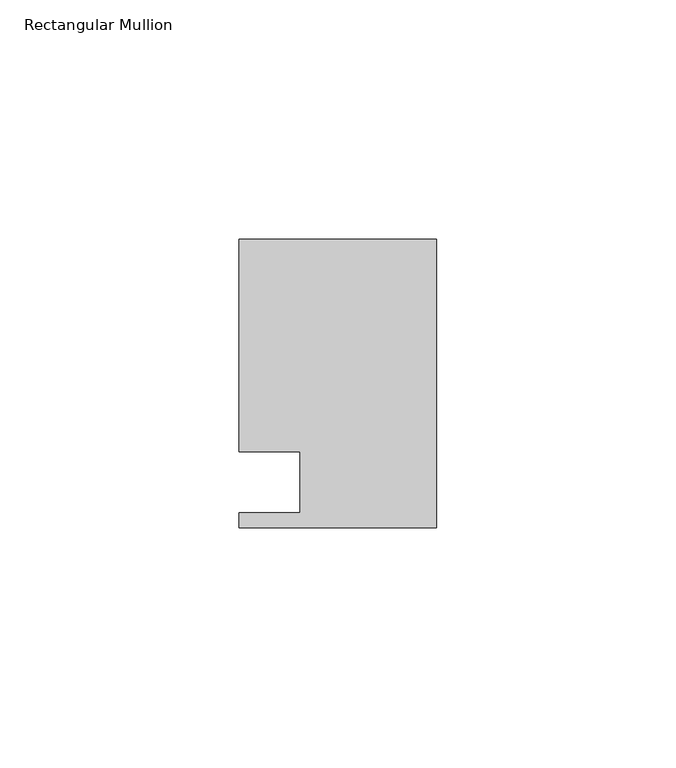
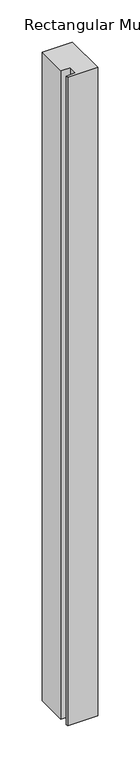
"""IFC4 building model written with IfcOpenShell, lengths in millimetres: member geometry, Rectangular Mullion."""

from ifc_helpers import new_model, si_unit, frame, origin, place, context, project, spatial, polyline, outline, extrude, source, transform, mapped, element, save


def rectangular_mullion_19c846c7(model_context):
    return source(origin(), model_context, "Body", "SweptSolid", [
        extrude(outline(polyline([(0.0, 30.1625), (0.0, -30.1625), (-41.275, -30.1625), (-41.275, -26.9875), (-28.575, -26.9875), (-28.575, -14.2875), (-41.275, -14.2875), (-41.275, 30.1625), (0.0, 30.1625)])), frame((0.0, 0.0, -939.8), z_axis=(0.0, 0.0, 1.0), x_axis=(1.0, 0.0, 0.0)), (0.0, 0.0, 1.0), 939.8),
    ])


if __name__ == "__main__":
    model = new_model("IFC4")
    model_context = context("Model", 3, world=origin())
    ifc_project = project(units=[si_unit("LENGTHUNIT", "METRE", prefix="MILLI")], contexts=[model_context])
    site = spatial("IfcSite", under=ifc_project)
    building = spatial("IfcBuilding", under=site)
    placement = place(None, origin())
    rectangular_mullion_shape = rectangular_mullion_19c846c7(model_context)
    element("IfcMember", 1, ObjectType="Rectangular Mullion", at=placement, inside=building, context=model_context, shape_type="MappedRepresentation", body=[
        mapped(rectangular_mullion_shape, transform((0.0, 0.0, 0.0), x_axis=(1.0, 0.0, 0.0), y_axis=(0.0, 1.0, 0.0), z_axis=(0.0, 0.0, 1.0))),
    ])
    save(model, "model.ifc")
